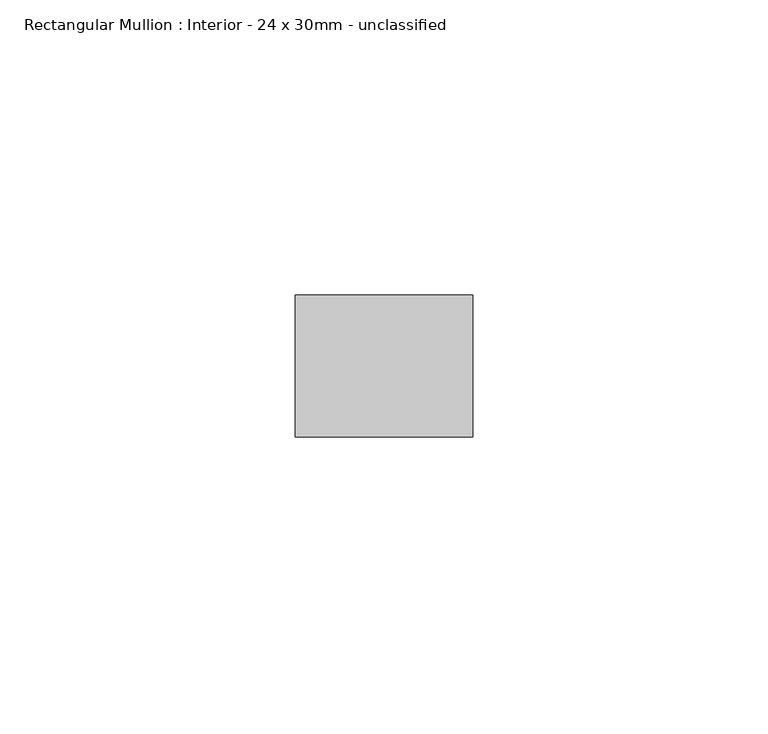
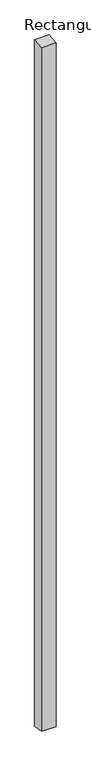
"""IFC4 building model written with IfcOpenShell, lengths in millimetres: member geometry, Rectangular Mullion : Interior - 24 x 30mm - unclassified."""

from ifc_helpers import new_model, si_unit, frame, origin, place, context, project, spatial, polyline, outline, extrude, source, transform, mapped, element, save


def rectangular_mullion_interior_24_x_30mm_unclassified_da226500(model_context):
    return source(origin(), model_context, "Body", "SweptSolid", [
        extrude(outline(polyline([(-12.0, -1.2807107), (12.0, 1.2807107), (12.0, -1501.8205983), (-12.0, -1498.1794017), (-12.0, -1.2807107)])), frame((-30.0, 0.0, 0.0), z_axis=(1.0, 0.0, 0.0), x_axis=(0.0, 1.0, 0.0)), (0.0, 0.0, 1.0), 30.0),
    ])


if __name__ == "__main__":
    model = new_model("IFC4")
    model_context = context("Model", 3, world=origin())
    ifc_project = project(units=[si_unit("LENGTHUNIT", "METRE", prefix="MILLI")], contexts=[model_context])
    site = spatial("IfcSite", under=ifc_project)
    building = spatial("IfcBuilding", under=site)
    placement = place(None, origin())
    rectangular_mullion_interior_24_x_30mm_unclassified_shape = rectangular_mullion_interior_24_x_30mm_unclassified_da226500(model_context)
    element("IfcMember", 1, ObjectType="Rectangular Mullion : Interior - 24 x 30mm - unclassified", at=placement, inside=building, context=model_context, shape_type="MappedRepresentation", body=[
        mapped(rectangular_mullion_interior_24_x_30mm_unclassified_shape, transform((0.0, 0.0, 0.0), x_axis=(1.0, 0.0, 0.0), y_axis=(0.0, 1.0, 0.0), z_axis=(0.0, 0.0, 1.0))),
    ])
    save(model, "model.ifc")
